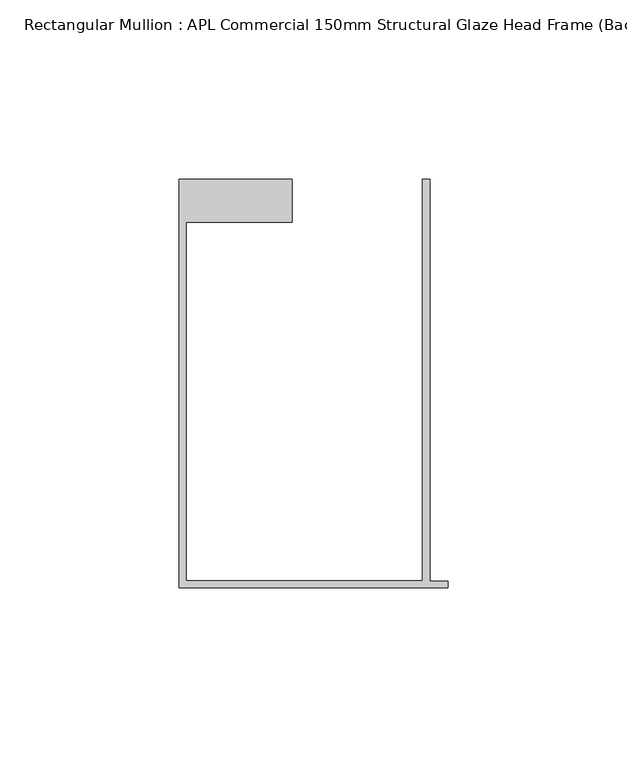
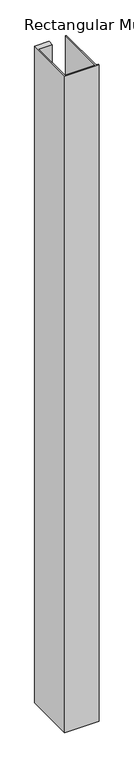
"""IFC4 building model written with IfcOpenShell, lengths in millimetres: member geometry, Rectangular Mullion : APL Commercial 150mm Structural Glaze Head Frame (Back)."""

from ifc_helpers import new_model, si_unit, frame, origin, place, context, project, spatial, polyline, outline, extrude, source, transform, mapped, element, save


def rectangular_mullion_apl_commercial_150mm_structural_glaze_2625e8d0(model_context):
    return source(origin(), model_context, "Body", "SweptSolid", [
        extrude(outline(polyline([(-75.0, -128.9993063), (-75.0, -14.9998342), (-43.5000151, -14.9998342), (-43.5000151, -26.9997514), (-73.0, -26.9997514), (-73.0, -126.9993063), (-7.0, -126.9993063), (-7.0, -14.9998342), (-5.0, -14.9998342), (-5.0, -127.1993063), (0.0, -127.1993063), (0.0, -128.9993063), (-75.0, -128.9993063)])), frame((0.0, 0.0, -1524.000019), z_axis=(0.0, 0.0, 1.0), x_axis=(1.0, 0.0, 0.0)), (0.0, 0.0, 1.0), 1524.000019),
    ])


if __name__ == "__main__":
    model = new_model("IFC4")
    model_context = context("Model", 3, world=origin())
    ifc_project = project(units=[si_unit("LENGTHUNIT", "METRE", prefix="MILLI")], contexts=[model_context])
    site = spatial("IfcSite", under=ifc_project)
    building = spatial("IfcBuilding", under=site)
    placement = place(None, origin())
    rectangular_mullion_apl_commercial_150mm_structural_glaze_shape = rectangular_mullion_apl_commercial_150mm_structural_glaze_2625e8d0(model_context)
    element("IfcMember", 1, ObjectType="Rectangular Mullion : APL Commercial 150mm Structural Glaze Head Frame (Back)", at=placement, inside=building, context=model_context, shape_type="MappedRepresentation", body=[
        mapped(rectangular_mullion_apl_commercial_150mm_structural_glaze_shape, transform((0.0, 0.0, 0.0), x_axis=(1.0, 0.0, 0.0), y_axis=(0.0, 1.0, 0.0), z_axis=(0.0, 0.0, 1.0))),
    ])
    save(model, "model.ifc")
